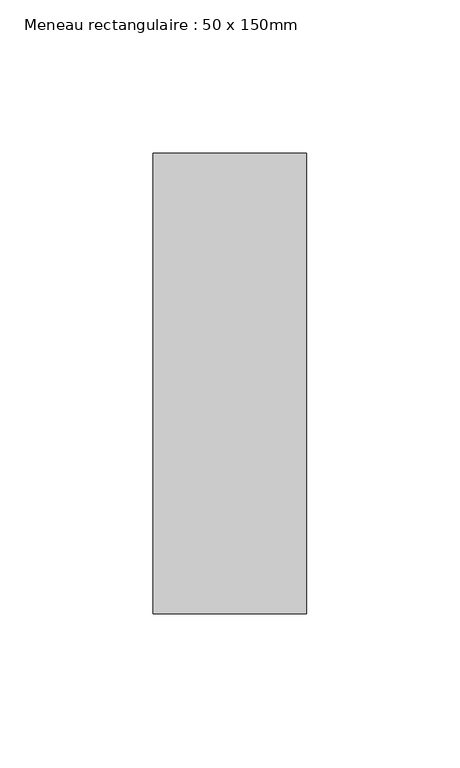
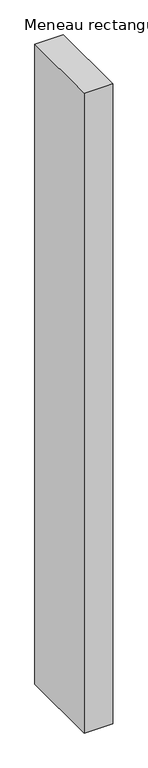
"""IFC4 building model written with IfcOpenShell, lengths in millimetres: member geometry, Meneau rectangulaire : 50 x 150mm."""

import ifcopenshell
import ifcopenshell.guid

model = None  # the IFC model being written
_history = None  # IfcOwnerHistory: only IFC2X3 demands one
_inside = {}  # id of a spatial element -> (the spatial element, [elements in it])
_under = {}  # id of a project, library or spatial element -> (it, [spatial elements below it])
_declared = {}  # id of a project -> (the project, [libraries it declares])
_typed = {}  # id of a type object -> (the type object, [elements of that type])
_made_of = {}  # id of a material, layer set ... -> (it, [elements and type objects made of it])


def new_model(schema):
    """Start an empty IFC model of exactly this schema.

    Asked for "IFC4X3", IfcOpenShell would pick the latest addendum, in which some entities
    have other attributes; the version numbers below select the first issue.
    IFC2X3 requires an IfcOwnerHistory on every rooted entity: one is made here for all.
    """
    global model, _history
    if schema == "IFC4X3":
        model = ifcopenshell.file(schema_version=(4, 3, 0, 0))
    else:
        model = ifcopenshell.file(schema=schema)
    _inside.clear()
    _under.clear()
    _declared.clear()
    _typed.clear()
    _made_of.clear()
    _history = None
    if model.schema == "IFC2X3":
        org = make("IfcOrganization", Name="unknown")
        user = make(
            "IfcPersonAndOrganization",
            ThePerson=make("IfcPerson", FamilyName="unknown"),
            TheOrganization=org,
        )
        app = make(
            "IfcApplication",
            ApplicationDeveloper=org,
            Version="unknown",
            ApplicationFullName="unknown",
            ApplicationIdentifier="unknown",
        )
        _history = make(
            "IfcOwnerHistory",
            OwningUser=user,
            OwningApplication=app,
            ChangeAction="ADDED",
            CreationDate=0,
        )
    return model


def make(cls, **values):
    """One entity of the class cls with the attributes given. An attribute that is None is left unset."""
    return model.create_entity(
        cls, **{name: value for name, value in values.items() if value is not None}
    )


def rooted(cls, **values):
    """An entity with a GlobalId (a new one), such as an element, a storey or a relation."""
    return make(cls, GlobalId=ifcopenshell.guid.new(), OwnerHistory=_history, **values)


def si_unit(unit_type, name, prefix=None):
    """IfcSIUnit, for example si_unit("LENGTHUNIT", "METRE", prefix="MILLI")."""
    return make("IfcSIUnit", UnitType=unit_type, Prefix=prefix, Name=name)


def assignment(units):
    """IfcUnitAssignment: the units of a project."""
    return None if units is None else make("IfcUnitAssignment", Units=units)


def point(xyz):
    """IfcCartesianPoint."""
    return None if xyz is None else make("IfcCartesianPoint", Coordinates=xyz)


def direction(xyz):
    """IfcDirection."""
    return None if xyz is None else make("IfcDirection", DirectionRatios=xyz)


def frame(location, z_axis=None, x_axis=None):
    """IfcAxis2Placement3D, a coordinate frame: its origin and axes. An axis left out is left unset."""
    return make(
        "IfcAxis2Placement3D",
        Location=point(location),
        Axis=direction(z_axis),
        RefDirection=direction(x_axis),
    )


def origin():
    """The frame at (0, 0, 0) with its axes left unset."""
    return frame((0.0, 0.0, 0.0))


def place(relative_to, where):
    """IfcLocalPlacement: puts the frame where relative to a parent placement (None: the world)."""
    return make(
        "IfcLocalPlacement", PlacementRelTo=relative_to, RelativePlacement=where
    )


def context(
    kind, dimensions, precision=None, world=None, true_north=None, identifier=None
):
    """IfcGeometricRepresentationContext, for example the 3D "Model" context."""
    return make(
        "IfcGeometricRepresentationContext",
        ContextIdentifier=identifier,
        ContextType=kind,
        CoordinateSpaceDimension=dimensions,
        Precision=precision,
        WorldCoordinateSystem=world,
        TrueNorth=true_north,
    )


def project(units=None, contexts=None):
    """IfcProject with its units and contexts."""
    return rooted(
        "IfcProject",
        Name="project",
        RepresentationContexts=contexts,
        UnitsInContext=assignment(units),
    )


def spatial(cls, under=None, at=None, **own):
    """A site, building, storey or space (cls), placed at a placement, below another one or the project."""
    s = rooted(cls, ObjectPlacement=at, **own)
    if under is not None:
        _under.setdefault(under.id(), (under, []))[1].append(s)
    return s


def polyline(points):
    """IfcPolyline through the points."""
    return make("IfcPolyline", Points=[point(p) for p in points])


def outline(outer, holes=None, kind="AREA"):
    """IfcArbitraryClosedProfileDef: a profile drawn as a closed curve; with holes, ...WithVoids."""
    if holes is None:
        return make("IfcArbitraryClosedProfileDef", ProfileType=kind, OuterCurve=outer)
    return make(
        "IfcArbitraryProfileDefWithVoids",
        ProfileType=kind,
        OuterCurve=outer,
        InnerCurves=holes,
    )


def extrude(swept, where, along, depth):
    """IfcExtrudedAreaSolid: the profile swept, set in the frame where, extruded along a direction by depth."""
    return make(
        "IfcExtrudedAreaSolid",
        SweptArea=swept,
        Position=where,
        ExtrudedDirection=direction(along),
        Depth=depth,
    )


def shape(context_of_items, identifier, shape_type, items):
    """IfcShapeRepresentation: the items that make up one representation, for example the "Body"."""
    return make(
        "IfcShapeRepresentation",
        ContextOfItems=context_of_items,
        RepresentationIdentifier=identifier,
        RepresentationType=shape_type,
        Items=items,
    )


def source(mapping_origin, context_of_items, identifier, shape_type, items):
    """IfcRepresentationMap: a shape defined once, which mapped items show again and again."""
    return make(
        "IfcRepresentationMap",
        MappingOrigin=mapping_origin,
        MappedRepresentation=shape(context_of_items, identifier, shape_type, items),
    )


def transform(
    local_origin,
    x_axis=None,
    y_axis=None,
    z_axis=None,
    scale=None,
    scale2=None,
    scale3=None,
    uniform=True,
):
    """IfcCartesianTransformationOperator3D, or its non-uniform kind. x_axis, y_axis, z_axis: its Axis1, 2, 3."""
    if uniform:
        return make(
            "IfcCartesianTransformationOperator3D",
            Axis1=direction(x_axis),
            Axis2=direction(y_axis),
            LocalOrigin=point(local_origin),
            Scale=scale,
            Axis3=direction(z_axis),
        )
    return make(
        "IfcCartesianTransformationOperator3DnonUniform",
        Axis1=direction(x_axis),
        Axis2=direction(y_axis),
        LocalOrigin=point(local_origin),
        Scale=scale,
        Axis3=direction(z_axis),
        Scale2=scale2,
        Scale3=scale3,
    )


def mapped(mapping_source, mapping_target):
    """IfcMappedItem: shows the shape of a source again, moved by a transform."""
    return make(
        "IfcMappedItem", MappingSource=mapping_source, MappingTarget=mapping_target
    )


def made_of(thing, what):
    """Note that an element or type object is made of a material, layer set ...; save() writes the relation."""
    if what is not None:
        _made_of.setdefault(what.id(), (what, []))[1].append(thing)
    return thing


def element(
    cls,
    number,
    at=None,
    inside=None,
    cuts=None,
    type_object=None,
    material=None,
    context=None,
    identifier="Body",
    shape_type=None,
    held_by="IfcProductDefinitionShape",
    body=None,
    shapes=None,
    **own,
):
    """One element of the class cls, such as IfcWall. Its Tag is "e" and its number.

    at: its placement. inside: the storey or other place that contains it. cuts: it is an
    opening in that element (IfcRelVoidsElement). A single representation is given by context,
    identifier, shape_type and body (its items); several are given by shapes. held_by: the class
    of the entity that holds the representations. save() writes the other relations.
    """
    e = rooted(cls, Tag="e%d" % number, ObjectPlacement=at, **own)
    if body is not None:
        shapes = [shape(context, identifier, shape_type, body)]
    if shapes is not None:
        e.Representation = make(held_by, Representations=shapes)
    if inside is not None:
        _inside.setdefault(inside.id(), (inside, []))[1].append(e)
    if cuts is not None:
        rooted(
            "IfcRelVoidsElement", RelatingBuildingElement=cuts, RelatedOpeningElement=e
        )
    if type_object is not None:
        _typed.setdefault(type_object.id(), (type_object, []))[1].append(e)
    return made_of(e, material)


def aggregate(whole, parts):
    """IfcRelAggregates: a whole, such as a stair, and the parts it consists of."""
    return rooted("IfcRelAggregates", RelatingObject=whole, RelatedObjects=parts)


def save(model, path):
    """Write the relations noted so far, then the file.

    IfcRelAggregates (storeys below a building ...), IfcRelContainedInSpatialStructure (elements
    in a storey), IfcRelDefinesByType, IfcRelAssociatesMaterial and IfcRelDeclares: one each for
    every whole, place, type object, material and project.
    """
    for whole, parts in _under.values():
        aggregate(whole, parts)
    for where, things in _inside.values():
        rooted(
            "IfcRelContainedInSpatialStructure",
            RelatedElements=things,
            RelatingStructure=where,
        )
    for kind, things in _typed.values():
        rooted("IfcRelDefinesByType", RelatedObjects=things, RelatingType=kind)
    for what, things in _made_of.values():
        rooted("IfcRelAssociatesMaterial", RelatedObjects=things, RelatingMaterial=what)
    for by, libraries in _declared.values():
        rooted("IfcRelDeclares", RelatingContext=by, RelatedDefinitions=libraries)
    model.write(path)


def meneau_rectangulaire_50_x_150mm_d0f58bff(model_context):
    return source(origin(), model_context, "Body", "SweptSolid", [
        extrude(outline(polyline([(25.0, 75.0), (25.0, -75.0), (-25.0, -75.0), (-25.0, 75.0), (25.0, 75.0)])), frame((0.0, 0.0, -1187.2767872), z_axis=(0.0, 0.0, 1.0), x_axis=(1.0, 0.0, 0.0)), (0.0, 0.0, 1.0), 1187.2767872),
    ])


if __name__ == "__main__":
    model = new_model("IFC4")
    model_context = context("Model", 3, world=origin())
    ifc_project = project(units=[si_unit("LENGTHUNIT", "METRE", prefix="MILLI")], contexts=[model_context])
    site = spatial("IfcSite", under=ifc_project)
    building = spatial("IfcBuilding", under=site)
    placement = place(None, origin())
    meneau_rectangulaire_50_x_150mm_shape = meneau_rectangulaire_50_x_150mm_d0f58bff(model_context)
    element("IfcMember", 1, ObjectType="Meneau rectangulaire : 50 x 150mm", at=placement, inside=building, context=model_context, shape_type="MappedRepresentation", body=[
        mapped(meneau_rectangulaire_50_x_150mm_shape, transform((0.0, 0.0, 0.0), x_axis=(1.0, 0.0, 0.0), y_axis=(0.0, 1.0, 0.0), z_axis=(0.0, 0.0, 1.0))),
    ])
    save(model, "model.ifc")
